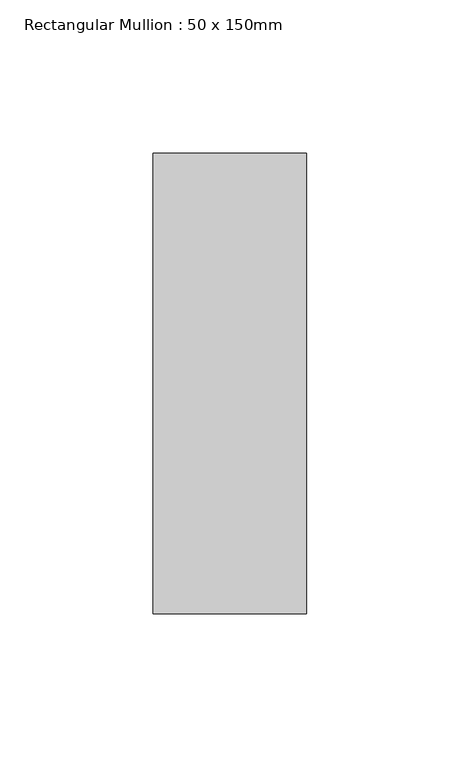
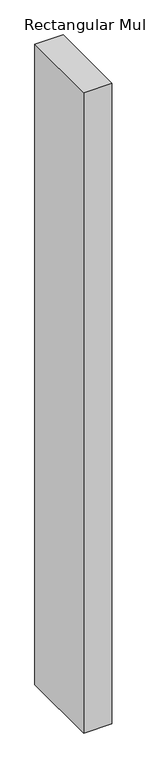
"""IFC4 building model written with IfcOpenShell, lengths in millimetres: member geometry, Rectangular Mullion : 50 x 150mm."""

import ifcopenshell
import ifcopenshell.guid

model = None  # the IFC model being written
_history = None  # IfcOwnerHistory: only IFC2X3 demands one
_inside = {}  # id of a spatial element -> (the spatial element, [elements in it])
_under = {}  # id of a project, library or spatial element -> (it, [spatial elements below it])
_declared = {}  # id of a project -> (the project, [libraries it declares])
_typed = {}  # id of a type object -> (the type object, [elements of that type])
_made_of = {}  # id of a material, layer set ... -> (it, [elements and type objects made of it])


def new_model(schema):
    """Start an empty IFC model of exactly this schema.

    Asked for "IFC4X3", IfcOpenShell would pick the latest addendum, in which some entities
    have other attributes; the version numbers below select the first issue.
    IFC2X3 requires an IfcOwnerHistory on every rooted entity: one is made here for all.
    """
    global model, _history
    if schema == "IFC4X3":
        model = ifcopenshell.file(schema_version=(4, 3, 0, 0))
    else:
        model = ifcopenshell.file(schema=schema)
    _inside.clear()
    _under.clear()
    _declared.clear()
    _typed.clear()
    _made_of.clear()
    _history = None
    if model.schema == "IFC2X3":
        org = make("IfcOrganization", Name="unknown")
        user = make(
            "IfcPersonAndOrganization",
            ThePerson=make("IfcPerson", FamilyName="unknown"),
            TheOrganization=org,
        )
        app = make(
            "IfcApplication",
            ApplicationDeveloper=org,
            Version="unknown",
            ApplicationFullName="unknown",
            ApplicationIdentifier="unknown",
        )
        _history = make(
            "IfcOwnerHistory",
            OwningUser=user,
            OwningApplication=app,
            ChangeAction="ADDED",
            CreationDate=0,
        )
    return model


def make(cls, **values):
    """One entity of the class cls with the attributes given. An attribute that is None is left unset."""
    return model.create_entity(
        cls, **{name: value for name, value in values.items() if value is not None}
    )


def rooted(cls, **values):
    """An entity with a GlobalId (a new one), such as an element, a storey or a relation."""
    return make(cls, GlobalId=ifcopenshell.guid.new(), OwnerHistory=_history, **values)


def si_unit(unit_type, name, prefix=None):
    """IfcSIUnit, for example si_unit("LENGTHUNIT", "METRE", prefix="MILLI")."""
    return make("IfcSIUnit", UnitType=unit_type, Prefix=prefix, Name=name)


def assignment(units):
    """IfcUnitAssignment: the units of a project."""
    return None if units is None else make("IfcUnitAssignment", Units=units)


def point(xyz):
    """IfcCartesianPoint."""
    return None if xyz is None else make("IfcCartesianPoint", Coordinates=xyz)


def direction(xyz):
    """IfcDirection."""
    return None if xyz is None else make("IfcDirection", DirectionRatios=xyz)


def frame(location, z_axis=None, x_axis=None):
    """IfcAxis2Placement3D, a coordinate frame: its origin and axes. An axis left out is left unset."""
    return make(
        "IfcAxis2Placement3D",
        Location=point(location),
        Axis=direction(z_axis),
        RefDirection=direction(x_axis),
    )


def origin():
    """The frame at (0, 0, 0) with its axes left unset."""
    return frame((0.0, 0.0, 0.0))


def place(relative_to, where):
    """IfcLocalPlacement: puts the frame where relative to a parent placement (None: the world)."""
    return make(
        "IfcLocalPlacement", PlacementRelTo=relative_to, RelativePlacement=where
    )


def context(
    kind, dimensions, precision=None, world=None, true_north=None, identifier=None
):
    """IfcGeometricRepresentationContext, for example the 3D "Model" context."""
    return make(
        "IfcGeometricRepresentationContext",
        ContextIdentifier=identifier,
        ContextType=kind,
        CoordinateSpaceDimension=dimensions,
        Precision=precision,
        WorldCoordinateSystem=world,
        TrueNorth=true_north,
    )


def project(units=None, contexts=None):
    """IfcProject with its units and contexts."""
    return rooted(
        "IfcProject",
        Name="project",
        RepresentationContexts=contexts,
        UnitsInContext=assignment(units),
    )


def spatial(cls, under=None, at=None, **own):
    """A site, building, storey or space (cls), placed at a placement, below another one or the project."""
    s = rooted(cls, ObjectPlacement=at, **own)
    if under is not None:
        _under.setdefault(under.id(), (under, []))[1].append(s)
    return s


def polyline(points):
    """IfcPolyline through the points."""
    return make("IfcPolyline", Points=[point(p) for p in points])


def outline(outer, holes=None, kind="AREA"):
    """IfcArbitraryClosedProfileDef: a profile drawn as a closed curve; with holes, ...WithVoids."""
    if holes is None:
        return make("IfcArbitraryClosedProfileDef", ProfileType=kind, OuterCurve=outer)
    return make(
        "IfcArbitraryProfileDefWithVoids",
        ProfileType=kind,
        OuterCurve=outer,
        InnerCurves=holes,
    )


def extrude(swept, where, along, depth):
    """IfcExtrudedAreaSolid: the profile swept, set in the frame where, extruded along a direction by depth."""
    return make(
        "IfcExtrudedAreaSolid",
        SweptArea=swept,
        Position=where,
        ExtrudedDirection=direction(along),
        Depth=depth,
    )


def shape(context_of_items, identifier, shape_type, items):
    """IfcShapeRepresentation: the items that make up one representation, for example the "Body"."""
    return make(
        "IfcShapeRepresentation",
        ContextOfItems=context_of_items,
        RepresentationIdentifier=identifier,
        RepresentationType=shape_type,
        Items=items,
    )


def source(mapping_origin, context_of_items, identifier, shape_type, items):
    """IfcRepresentationMap: a shape defined once, which mapped items show again and again."""
    return make(
        "IfcRepresentationMap",
        MappingOrigin=mapping_origin,
        MappedRepresentation=shape(context_of_items, identifier, shape_type, items),
    )


def transform(
    local_origin,
    x_axis=None,
    y_axis=None,
    z_axis=None,
    scale=None,
    scale2=None,
    scale3=None,
    uniform=True,
):
    """IfcCartesianTransformationOperator3D, or its non-uniform kind. x_axis, y_axis, z_axis: its Axis1, 2, 3."""
    if uniform:
        return make(
            "IfcCartesianTransformationOperator3D",
            Axis1=direction(x_axis),
            Axis2=direction(y_axis),
            LocalOrigin=point(local_origin),
            Scale=scale,
            Axis3=direction(z_axis),
        )
    return make(
        "IfcCartesianTransformationOperator3DnonUniform",
        Axis1=direction(x_axis),
        Axis2=direction(y_axis),
        LocalOrigin=point(local_origin),
        Scale=scale,
        Axis3=direction(z_axis),
        Scale2=scale2,
        Scale3=scale3,
    )


def mapped(mapping_source, mapping_target):
    """IfcMappedItem: shows the shape of a source again, moved by a transform."""
    return make(
        "IfcMappedItem", MappingSource=mapping_source, MappingTarget=mapping_target
    )


def made_of(thing, what):
    """Note that an element or type object is made of a material, layer set ...; save() writes the relation."""
    if what is not None:
        _made_of.setdefault(what.id(), (what, []))[1].append(thing)
    return thing


def element(
    cls,
    number,
    at=None,
    inside=None,
    cuts=None,
    type_object=None,
    material=None,
    context=None,
    identifier="Body",
    shape_type=None,
    held_by="IfcProductDefinitionShape",
    body=None,
    shapes=None,
    **own,
):
    """One element of the class cls, such as IfcWall. Its Tag is "e" and its number.

    at: its placement. inside: the storey or other place that contains it. cuts: it is an
    opening in that element (IfcRelVoidsElement). A single representation is given by context,
    identifier, shape_type and body (its items); several are given by shapes. held_by: the class
    of the entity that holds the representations. save() writes the other relations.
    """
    e = rooted(cls, Tag="e%d" % number, ObjectPlacement=at, **own)
    if body is not None:
        shapes = [shape(context, identifier, shape_type, body)]
    if shapes is not None:
        e.Representation = make(held_by, Representations=shapes)
    if inside is not None:
        _inside.setdefault(inside.id(), (inside, []))[1].append(e)
    if cuts is not None:
        rooted(
            "IfcRelVoidsElement", RelatingBuildingElement=cuts, RelatedOpeningElement=e
        )
    if type_object is not None:
        _typed.setdefault(type_object.id(), (type_object, []))[1].append(e)
    return made_of(e, material)


def aggregate(whole, parts):
    """IfcRelAggregates: a whole, such as a stair, and the parts it consists of."""
    return rooted("IfcRelAggregates", RelatingObject=whole, RelatedObjects=parts)


def save(model, path):
    """Write the relations noted so far, then the file.

    IfcRelAggregates (storeys below a building ...), IfcRelContainedInSpatialStructure (elements
    in a storey), IfcRelDefinesByType, IfcRelAssociatesMaterial and IfcRelDeclares: one each for
    every whole, place, type object, material and project.
    """
    for whole, parts in _under.values():
        aggregate(whole, parts)
    for where, things in _inside.values():
        rooted(
            "IfcRelContainedInSpatialStructure",
            RelatedElements=things,
            RelatingStructure=where,
        )
    for kind, things in _typed.values():
        rooted("IfcRelDefinesByType", RelatedObjects=things, RelatingType=kind)
    for what, things in _made_of.values():
        rooted("IfcRelAssociatesMaterial", RelatedObjects=things, RelatingMaterial=what)
    for by, libraries in _declared.values():
        rooted("IfcRelDeclares", RelatingContext=by, RelatedDefinitions=libraries)
    model.write(path)


def rectangular_mullion_50_x_150mm_cd211022(model_context):
    return source(origin(), model_context, "Body", "SweptSolid", [
        extrude(outline(polyline([(0.0, 75.0), (0.0, -75.0), (-50.0, -75.0), (-50.0, 75.0), (0.0, 75.0)])), frame((0.0, 0.0, -1203.5977747), z_axis=(0.0, 0.0, 1.0), x_axis=(1.0, 0.0, 0.0)), (0.0, 0.0, 1.0), 1203.5977747),
    ])


if __name__ == "__main__":
    model = new_model("IFC4")
    model_context = context("Model", 3, world=origin())
    ifc_project = project(units=[si_unit("LENGTHUNIT", "METRE", prefix="MILLI")], contexts=[model_context])
    site = spatial("IfcSite", under=ifc_project)
    building = spatial("IfcBuilding", under=site)
    placement = place(None, origin())
    rectangular_mullion_50_x_150mm_shape = rectangular_mullion_50_x_150mm_cd211022(model_context)
    element("IfcMember", 1, ObjectType="Rectangular Mullion : 50 x 150mm", at=placement, inside=building, context=model_context, shape_type="MappedRepresentation", body=[
        mapped(rectangular_mullion_50_x_150mm_shape, transform((0.0, 0.0, 0.0), x_axis=(1.0, 0.0, 0.0), y_axis=(0.0, 1.0, 0.0), z_axis=(0.0, 0.0, 1.0))),
    ])
    save(model, "model.ifc")
